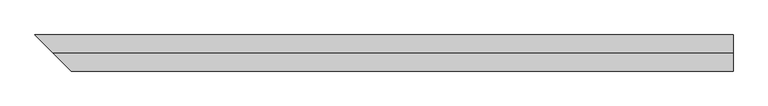
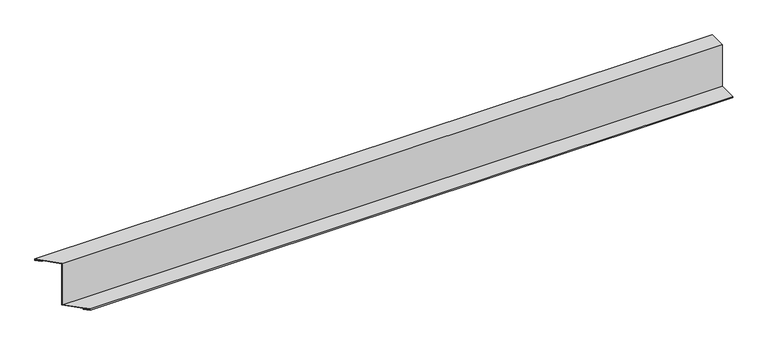
"""IFC4 building model written with IfcOpenShell, lengths in millimetres: proxy geometry."""

import ifcopenshell
import ifcopenshell.guid

model = None  # the IFC model being written
_history = None  # IfcOwnerHistory: only IFC2X3 demands one
_inside = {}  # id of a spatial element -> (the spatial element, [elements in it])
_under = {}  # id of a project, library or spatial element -> (it, [spatial elements below it])
_declared = {}  # id of a project -> (the project, [libraries it declares])
_typed = {}  # id of a type object -> (the type object, [elements of that type])
_made_of = {}  # id of a material, layer set ... -> (it, [elements and type objects made of it])


def new_model(schema):
    """Start an empty IFC model of exactly this schema.

    Asked for "IFC4X3", IfcOpenShell would pick the latest addendum, in which some entities
    have other attributes; the version numbers below select the first issue.
    IFC2X3 requires an IfcOwnerHistory on every rooted entity: one is made here for all.
    """
    global model, _history
    if schema == "IFC4X3":
        model = ifcopenshell.file(schema_version=(4, 3, 0, 0))
    else:
        model = ifcopenshell.file(schema=schema)
    _inside.clear()
    _under.clear()
    _declared.clear()
    _typed.clear()
    _made_of.clear()
    _history = None
    if model.schema == "IFC2X3":
        org = make("IfcOrganization", Name="unknown")
        user = make(
            "IfcPersonAndOrganization",
            ThePerson=make("IfcPerson", FamilyName="unknown"),
            TheOrganization=org,
        )
        app = make(
            "IfcApplication",
            ApplicationDeveloper=org,
            Version="unknown",
            ApplicationFullName="unknown",
            ApplicationIdentifier="unknown",
        )
        _history = make(
            "IfcOwnerHistory",
            OwningUser=user,
            OwningApplication=app,
            ChangeAction="ADDED",
            CreationDate=0,
        )
    return model


def make(cls, **values):
    """One entity of the class cls with the attributes given. An attribute that is None is left unset."""
    return model.create_entity(
        cls, **{name: value for name, value in values.items() if value is not None}
    )


def rooted(cls, **values):
    """An entity with a GlobalId (a new one), such as an element, a storey or a relation."""
    return make(cls, GlobalId=ifcopenshell.guid.new(), OwnerHistory=_history, **values)


def si_unit(unit_type, name, prefix=None):
    """IfcSIUnit, for example si_unit("LENGTHUNIT", "METRE", prefix="MILLI")."""
    return make("IfcSIUnit", UnitType=unit_type, Prefix=prefix, Name=name)


def assignment(units):
    """IfcUnitAssignment: the units of a project."""
    return None if units is None else make("IfcUnitAssignment", Units=units)


def point(xyz):
    """IfcCartesianPoint."""
    return None if xyz is None else make("IfcCartesianPoint", Coordinates=xyz)


def direction(xyz):
    """IfcDirection."""
    return None if xyz is None else make("IfcDirection", DirectionRatios=xyz)


def frame(location, z_axis=None, x_axis=None):
    """IfcAxis2Placement3D, a coordinate frame: its origin and axes. An axis left out is left unset."""
    return make(
        "IfcAxis2Placement3D",
        Location=point(location),
        Axis=direction(z_axis),
        RefDirection=direction(x_axis),
    )


def origin():
    """The frame at (0, 0, 0) with its axes left unset."""
    return frame((0.0, 0.0, 0.0))


def place(relative_to, where):
    """IfcLocalPlacement: puts the frame where relative to a parent placement (None: the world)."""
    return make(
        "IfcLocalPlacement", PlacementRelTo=relative_to, RelativePlacement=where
    )


def context(
    kind, dimensions, precision=None, world=None, true_north=None, identifier=None
):
    """IfcGeometricRepresentationContext, for example the 3D "Model" context."""
    return make(
        "IfcGeometricRepresentationContext",
        ContextIdentifier=identifier,
        ContextType=kind,
        CoordinateSpaceDimension=dimensions,
        Precision=precision,
        WorldCoordinateSystem=world,
        TrueNorth=true_north,
    )


def project(units=None, contexts=None):
    """IfcProject with its units and contexts."""
    return rooted(
        "IfcProject",
        Name="project",
        RepresentationContexts=contexts,
        UnitsInContext=assignment(units),
    )


def spatial(cls, under=None, at=None, **own):
    """A site, building, storey or space (cls), placed at a placement, below another one or the project."""
    s = rooted(cls, ObjectPlacement=at, **own)
    if under is not None:
        _under.setdefault(under.id(), (under, []))[1].append(s)
    return s


def faces_of(points, faces, orient=None, outer=None):
    """IfcFace entities. A face is a list of loops; a loop is a list of indices into points, from 0.

    orient and outer hold one flag for each loop. By default every Orientation is true, the
    first loop of a face is its IfcFaceOuterBound and the others are IfcFaceBound.
    """
    made = []
    for i, loops in enumerate(faces):
        bounds = []
        for j, loop in enumerate(loops):
            is_outer = j == 0 if outer is None else outer[i][j]
            bounds.append(
                make(
                    "IfcFaceOuterBound" if is_outer else "IfcFaceBound",
                    Bound=make("IfcPolyLoop", Polygon=[points[k] for k in loop]),
                    Orientation=True if orient is None else orient[i][j],
                )
            )
        made.append(make("IfcFace", Bounds=bounds))
    return made


def faceted_brep(points, faces, orient=None, outer=None, voids=None):
    """IfcFacetedBrep: a solid bounded by flat faces; with voids (closed shells), ...WithVoids."""
    shared = [point(p) for p in points]
    hull = make("IfcClosedShell", CfsFaces=faces_of(shared, faces, orient, outer))
    if voids is None:
        return make("IfcFacetedBrep", Outer=hull)
    return make(
        "IfcFacetedBrepWithVoids",
        Outer=hull,
        Voids=[
            make(cls, CfsFaces=faces_of(shared, fs, o, b)) for cls, fs, o, b in voids
        ],
    )


def shape(context_of_items, identifier, shape_type, items):
    """IfcShapeRepresentation: the items that make up one representation, for example the "Body"."""
    return make(
        "IfcShapeRepresentation",
        ContextOfItems=context_of_items,
        RepresentationIdentifier=identifier,
        RepresentationType=shape_type,
        Items=items,
    )


def source(mapping_origin, context_of_items, identifier, shape_type, items):
    """IfcRepresentationMap: a shape defined once, which mapped items show again and again."""
    return make(
        "IfcRepresentationMap",
        MappingOrigin=mapping_origin,
        MappedRepresentation=shape(context_of_items, identifier, shape_type, items),
    )


def transform(
    local_origin,
    x_axis=None,
    y_axis=None,
    z_axis=None,
    scale=None,
    scale2=None,
    scale3=None,
    uniform=True,
):
    """IfcCartesianTransformationOperator3D, or its non-uniform kind. x_axis, y_axis, z_axis: its Axis1, 2, 3."""
    if uniform:
        return make(
            "IfcCartesianTransformationOperator3D",
            Axis1=direction(x_axis),
            Axis2=direction(y_axis),
            LocalOrigin=point(local_origin),
            Scale=scale,
            Axis3=direction(z_axis),
        )
    return make(
        "IfcCartesianTransformationOperator3DnonUniform",
        Axis1=direction(x_axis),
        Axis2=direction(y_axis),
        LocalOrigin=point(local_origin),
        Scale=scale,
        Axis3=direction(z_axis),
        Scale2=scale2,
        Scale3=scale3,
    )


def mapped(mapping_source, mapping_target):
    """IfcMappedItem: shows the shape of a source again, moved by a transform."""
    return make(
        "IfcMappedItem", MappingSource=mapping_source, MappingTarget=mapping_target
    )


def made_of(thing, what):
    """Note that an element or type object is made of a material, layer set ...; save() writes the relation."""
    if what is not None:
        _made_of.setdefault(what.id(), (what, []))[1].append(thing)
    return thing


def element(
    cls,
    number,
    at=None,
    inside=None,
    cuts=None,
    type_object=None,
    material=None,
    context=None,
    identifier="Body",
    shape_type=None,
    held_by="IfcProductDefinitionShape",
    body=None,
    shapes=None,
    **own,
):
    """One element of the class cls, such as IfcWall. Its Tag is "e" and its number.

    at: its placement. inside: the storey or other place that contains it. cuts: it is an
    opening in that element (IfcRelVoidsElement). A single representation is given by context,
    identifier, shape_type and body (its items); several are given by shapes. held_by: the class
    of the entity that holds the representations. save() writes the other relations.
    """
    e = rooted(cls, Tag="e%d" % number, ObjectPlacement=at, **own)
    if body is not None:
        shapes = [shape(context, identifier, shape_type, body)]
    if shapes is not None:
        e.Representation = make(held_by, Representations=shapes)
    if inside is not None:
        _inside.setdefault(inside.id(), (inside, []))[1].append(e)
    if cuts is not None:
        rooted(
            "IfcRelVoidsElement", RelatingBuildingElement=cuts, RelatedOpeningElement=e
        )
    if type_object is not None:
        _typed.setdefault(type_object.id(), (type_object, []))[1].append(e)
    return made_of(e, material)


def aggregate(whole, parts):
    """IfcRelAggregates: a whole, such as a stair, and the parts it consists of."""
    return rooted("IfcRelAggregates", RelatingObject=whole, RelatedObjects=parts)


def save(model, path):
    """Write the relations noted so far, then the file.

    IfcRelAggregates (storeys below a building ...), IfcRelContainedInSpatialStructure (elements
    in a storey), IfcRelDefinesByType, IfcRelAssociatesMaterial and IfcRelDeclares: one each for
    every whole, place, type object, material and project.
    """
    for whole, parts in _under.values():
        aggregate(whole, parts)
    for where, things in _inside.values():
        rooted(
            "IfcRelContainedInSpatialStructure",
            RelatedElements=things,
            RelatingStructure=where,
        )
    for kind, things in _typed.values():
        rooted("IfcRelDefinesByType", RelatedObjects=things, RelatingType=kind)
    for what, things in _made_of.values():
        rooted("IfcRelAssociatesMaterial", RelatedObjects=things, RelatingMaterial=what)
    for by, libraries in _declared.values():
        rooted("IfcRelDeclares", RelatingContext=by, RelatedDefinitions=libraries)
    model.write(path)


def generic_models_36ffd098(model_context):
    return source(origin(), model_context, "Body", "Brep", [
        faceted_brep([(45.0, -45.0, 2.0), (1510.0, -45.0, 2.0), (1510.0, -45.0, 5.0), (45.0, -45.0, 5.0), (35.0, -35.0, 2.0), (1510.0, -35.0, 2.0), (35.0, -35.0, 3.0), (1510.0, -35.0, 3.0), (44.0, -44.0, 3.0), (1510.0, -44.0, 3.0), (44.0, -44.0, 4.0), (1510.0, -44.0, 4.0), (4.0, -4.0, 4.0), (1510.0, -4.0, 4.0), (4.0, -4.0, 104.0), (1510.0, -4.0, 104.0), (0.0, 0.0, 104.0), (-34.0, 34.0, 104.0), (1510.0, 34.0, 104.0), (1510.0, 0.0, 104.0), (5.0, -5.0, 105.0), (1510.0, -5.0, 105.0), (1510.0, 0.0, 105.0), (1510.0, 35.0, 105.0), (-35.0, 35.0, 105.0), (0.0, 0.0, 105.0), (5.0, -5.0, 5.0), (1510.0, -5.0, 5.0), (-34.0, 34.0, 103.0), (1510.0, 34.0, 103.0), (-25.0, 25.0, 103.0), (1510.0, 25.0, 103.0), (-25.0, 25.0, 102.0), (1510.0, 25.0, 102.0), (-35.0, 35.0, 102.0), (1510.0, 35.0, 102.0)], [[[0, 1, 2, 3]], [[4, 5, 1, 0]], [[6, 7, 5, 4]], [[8, 9, 7, 6]], [[10, 11, 9, 8]], [[12, 13, 11, 10]], [[14, 15, 13, 12]], [[16, 17, 18, 19, 15, 14]], [[20, 21, 22, 23, 24, 25]], [[26, 27, 21, 20]], [[3, 2, 27, 26]], [[28, 29, 18, 17]], [[30, 31, 29, 28]], [[32, 33, 31, 30]], [[34, 35, 33, 32]], [[24, 23, 35, 34]], [[16, 14, 12, 10, 8, 6, 4, 0, 3, 26, 20, 25]], [[25, 24, 34, 32, 30, 28, 17, 16]], [[22, 21, 27, 2, 1, 5, 7, 9, 11, 13, 15, 19]], [[19, 18, 29, 31, 33, 35, 23, 22]]]),
    ])


if __name__ == "__main__":
    model = new_model("IFC4")
    model_context = context("Model", 3, world=origin())
    ifc_project = project(units=[si_unit("LENGTHUNIT", "METRE", prefix="MILLI")], contexts=[model_context])
    site = spatial("IfcSite", under=ifc_project)
    building = spatial("IfcBuilding", under=site)
    placement = place(None, origin())
    generic_models_shape = generic_models_36ffd098(model_context)
    element("IfcBuildingElementProxy", 1, Name="Generic Models", at=placement, inside=building, context=model_context, shape_type="MappedRepresentation", body=[
        mapped(generic_models_shape, transform((0.0, 0.0, 0.0), x_axis=(1.0, 0.0, 0.0), y_axis=(0.0, 1.0, 0.0), z_axis=(0.0, 0.0, 1.0))),
    ])
    save(model, "model.ifc")
